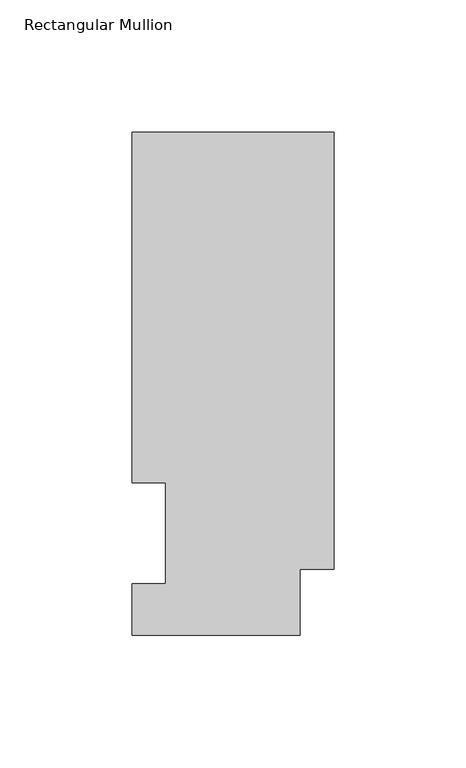
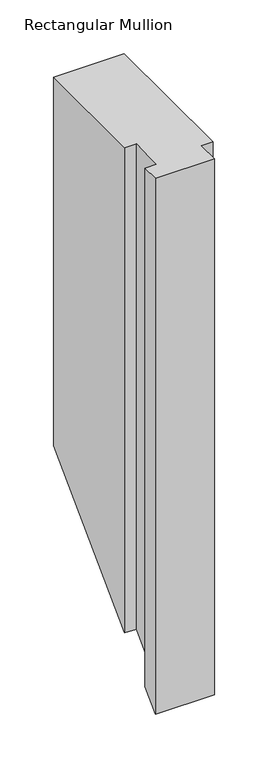
"""IFC4 building model written with IfcOpenShell, lengths in millimetres: member geometry, Rectangular Mullion."""

from ifc_helpers import new_model, si_unit, origin, place, context, project, spatial, faceted_brep, source, transform, mapped, element, save


def rectangular_mullion_7be529e1(model_context):
    return source(origin(), model_context, "Body", "Brep", [
        faceted_brep([(0.0, 190.0816937, 0.0), (-76.2, 190.0816937, 0.0), (-76.2, 57.6460937, 0.0), (-63.5, 57.6460937, 0.0), (-63.5, 19.5460937, 0.0), (-76.2, 19.5460937, 0.0), (-76.2, 0.0134937, 0.0), (-12.7, 0.0134937, 0.0), (-12.7, 25.0832937, 0.0), (0.0, 25.0832937, 0.0), (0.0, 190.0816937, -419.5183062), (-76.2, 190.0816937, -419.5183062), (-76.2, 57.6460937, -551.9539062), (-63.5, 57.6460937, -551.9539062), (-63.5, 19.5460937, -590.0539062), (-76.2, 19.5460937, -590.0539062), (-76.2, 0.0134937, -609.5865063), (-12.7, 0.0134937, -609.5865063), (-12.7, 25.0832937, -584.5167062), (0.0, 25.0832937, -584.5167062)], [[[0, 1, 2, 3, 4, 5, 6, 7, 8, 9]], [[1, 0, 10, 11]], [[2, 1, 11, 12]], [[3, 2, 12, 13]], [[4, 3, 13, 14]], [[5, 4, 14, 15]], [[6, 5, 15, 16]], [[7, 6, 16, 17]], [[8, 7, 17, 18]], [[9, 8, 18, 19]], [[0, 9, 19, 10]], [[10, 19, 18, 17, 16, 15, 14, 13, 12, 11]]]),
    ])


if __name__ == "__main__":
    model = new_model("IFC4")
    model_context = context("Model", 3, world=origin())
    ifc_project = project(units=[si_unit("LENGTHUNIT", "METRE", prefix="MILLI")], contexts=[model_context])
    site = spatial("IfcSite", under=ifc_project)
    building = spatial("IfcBuilding", under=site)
    placement = place(None, origin())
    rectangular_mullion_shape = rectangular_mullion_7be529e1(model_context)
    element("IfcMember", 1, ObjectType="Rectangular Mullion", at=placement, inside=building, context=model_context, shape_type="MappedRepresentation", body=[
        mapped(rectangular_mullion_shape, transform((0.0, 0.0, 0.0), x_axis=(1.0, 0.0, 0.0), y_axis=(0.0, 1.0, 0.0), z_axis=(0.0, 0.0, 1.0))),
    ])
    save(model, "model.ifc")
